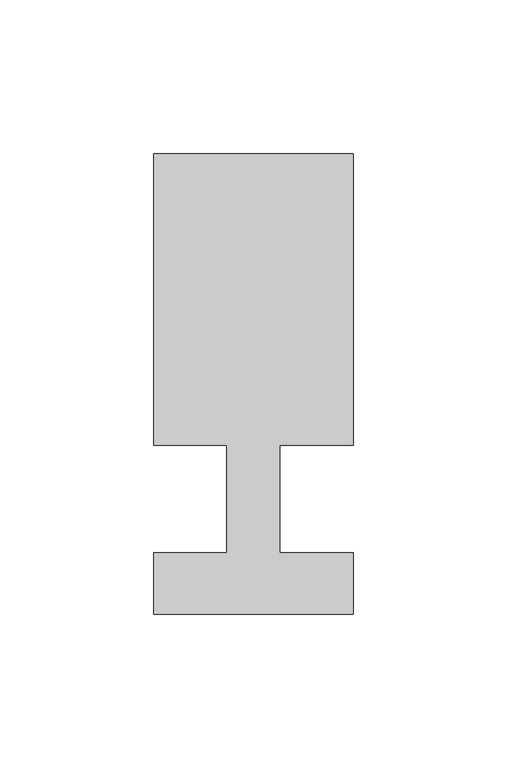
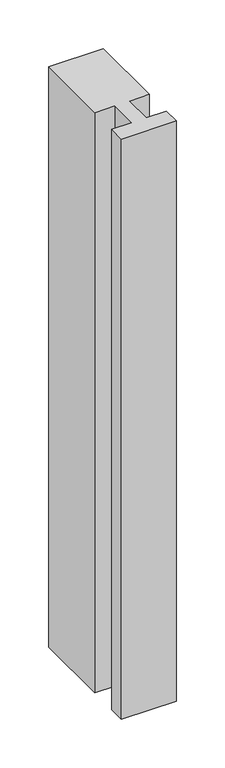
"""IFC4 building model written with IfcOpenShell, lengths in millimetres: member geometry."""

from ifc_helpers import new_model, si_unit, frame, origin, place, context, project, spatial, polyline, outline, extrude, source, transform, mapped, element, save


def member_571de5a3(model_context):
    return source(origin(), model_context, "Body", "SweptSolid", [
        extrude(outline(polyline([(0.0, -37.0), (-65.0, -37.0), (-65.0, -17.0), (-41.1875, -17.0), (-41.1875, 18.0), (-65.0, 18.0), (-65.0, 113.0), (0.0, 113.0), (0.0, 18.0), (-23.8125, 18.0), (-23.8125, -17.0), (0.0, -17.0), (0.0, -37.0)])), frame((0.0, 0.0, -729.1666667), z_axis=(0.0, 0.0, 1.0), x_axis=(1.0, 0.0, 0.0)), (0.0, 0.0, 1.0), 729.1666667),
    ])


if __name__ == "__main__":
    model = new_model("IFC4")
    model_context = context("Model", 3, world=origin())
    ifc_project = project(units=[si_unit("LENGTHUNIT", "METRE", prefix="MILLI")], contexts=[model_context])
    site = spatial("IfcSite", under=ifc_project)
    building = spatial("IfcBuilding", under=site)
    placement = place(None, origin())
    member_shape = member_571de5a3(model_context)
    element("IfcMember", 1, at=placement, inside=building, context=model_context, shape_type="MappedRepresentation", body=[
        mapped(member_shape, transform((0.0, 0.0, 0.0), x_axis=(1.0, 0.0, 0.0), y_axis=(0.0, 1.0, 0.0), z_axis=(0.0, 0.0, 1.0))),
    ])
    save(model, "model.ifc")
